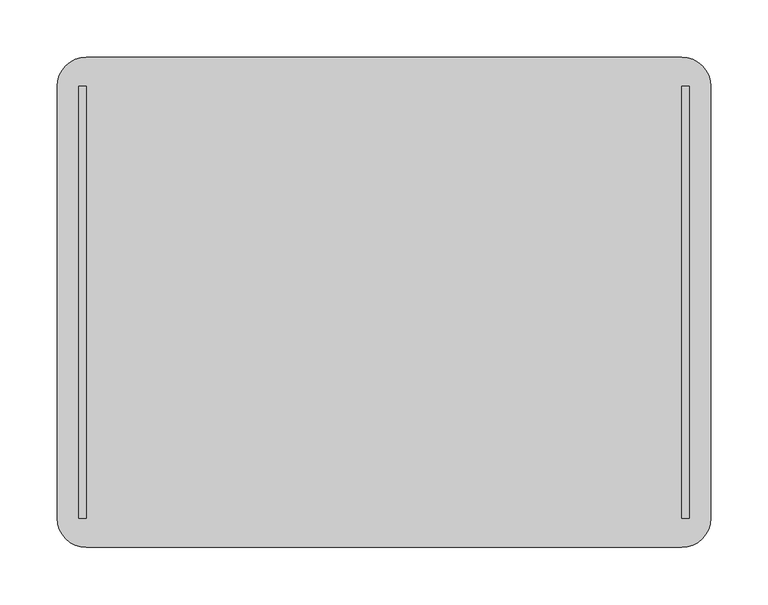
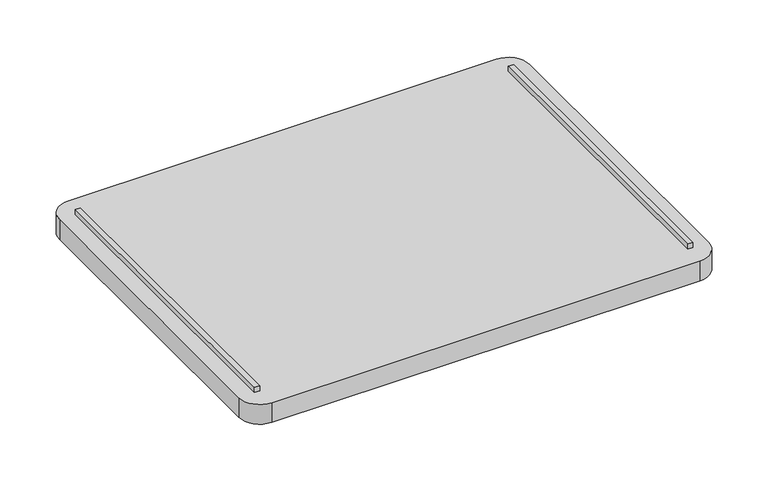
"""IFC4 building model written with IfcOpenShell, lengths in millimetres: furniture geometry."""

import ifcopenshell
import ifcopenshell.guid

model = None  # the IFC model being written
_history = None  # IfcOwnerHistory: only IFC2X3 demands one
_inside = {}  # id of a spatial element -> (the spatial element, [elements in it])
_under = {}  # id of a project, library or spatial element -> (it, [spatial elements below it])
_declared = {}  # id of a project -> (the project, [libraries it declares])
_typed = {}  # id of a type object -> (the type object, [elements of that type])
_made_of = {}  # id of a material, layer set ... -> (it, [elements and type objects made of it])


def new_model(schema):
    """Start an empty IFC model of exactly this schema.

    Asked for "IFC4X3", IfcOpenShell would pick the latest addendum, in which some entities
    have other attributes; the version numbers below select the first issue.
    IFC2X3 requires an IfcOwnerHistory on every rooted entity: one is made here for all.
    """
    global model, _history
    if schema == "IFC4X3":
        model = ifcopenshell.file(schema_version=(4, 3, 0, 0))
    else:
        model = ifcopenshell.file(schema=schema)
    _inside.clear()
    _under.clear()
    _declared.clear()
    _typed.clear()
    _made_of.clear()
    _history = None
    if model.schema == "IFC2X3":
        org = make("IfcOrganization", Name="unknown")
        user = make(
            "IfcPersonAndOrganization",
            ThePerson=make("IfcPerson", FamilyName="unknown"),
            TheOrganization=org,
        )
        app = make(
            "IfcApplication",
            ApplicationDeveloper=org,
            Version="unknown",
            ApplicationFullName="unknown",
            ApplicationIdentifier="unknown",
        )
        _history = make(
            "IfcOwnerHistory",
            OwningUser=user,
            OwningApplication=app,
            ChangeAction="ADDED",
            CreationDate=0,
        )
    return model


def make(cls, **values):
    """One entity of the class cls with the attributes given. An attribute that is None is left unset."""
    return model.create_entity(
        cls, **{name: value for name, value in values.items() if value is not None}
    )


def rooted(cls, **values):
    """An entity with a GlobalId (a new one), such as an element, a storey or a relation."""
    return make(cls, GlobalId=ifcopenshell.guid.new(), OwnerHistory=_history, **values)


def si_unit(unit_type, name, prefix=None):
    """IfcSIUnit, for example si_unit("LENGTHUNIT", "METRE", prefix="MILLI")."""
    return make("IfcSIUnit", UnitType=unit_type, Prefix=prefix, Name=name)


def assignment(units):
    """IfcUnitAssignment: the units of a project."""
    return None if units is None else make("IfcUnitAssignment", Units=units)


def point(xyz):
    """IfcCartesianPoint."""
    return None if xyz is None else make("IfcCartesianPoint", Coordinates=xyz)


def direction(xyz):
    """IfcDirection."""
    return None if xyz is None else make("IfcDirection", DirectionRatios=xyz)


def frame(location, z_axis=None, x_axis=None):
    """IfcAxis2Placement3D, a coordinate frame: its origin and axes. An axis left out is left unset."""
    return make(
        "IfcAxis2Placement3D",
        Location=point(location),
        Axis=direction(z_axis),
        RefDirection=direction(x_axis),
    )


def frame_2d(location, x_axis=None):
    """IfcAxis2Placement2D, a coordinate frame in the plane: its origin and x axis."""
    return make(
        "IfcAxis2Placement2D", Location=point(location), RefDirection=direction(x_axis)
    )


def origin():
    """The frame at (0, 0, 0) with its axes left unset."""
    return frame((0.0, 0.0, 0.0))


def place(relative_to, where):
    """IfcLocalPlacement: puts the frame where relative to a parent placement (None: the world)."""
    return make(
        "IfcLocalPlacement", PlacementRelTo=relative_to, RelativePlacement=where
    )


def context(
    kind, dimensions, precision=None, world=None, true_north=None, identifier=None
):
    """IfcGeometricRepresentationContext, for example the 3D "Model" context."""
    return make(
        "IfcGeometricRepresentationContext",
        ContextIdentifier=identifier,
        ContextType=kind,
        CoordinateSpaceDimension=dimensions,
        Precision=precision,
        WorldCoordinateSystem=world,
        TrueNorth=true_north,
    )


def project(units=None, contexts=None):
    """IfcProject with its units and contexts."""
    return rooted(
        "IfcProject",
        Name="project",
        RepresentationContexts=contexts,
        UnitsInContext=assignment(units),
    )


def spatial(cls, under=None, at=None, **own):
    """A site, building, storey or space (cls), placed at a placement, below another one or the project."""
    s = rooted(cls, ObjectPlacement=at, **own)
    if under is not None:
        _under.setdefault(under.id(), (under, []))[1].append(s)
    return s


def polyline(points):
    """IfcPolyline through the points."""
    return make("IfcPolyline", Points=[point(p) for p in points])


def circle_curve(where, radius):
    """IfcCircle in the frame where."""
    return make("IfcCircle", Position=where, Radius=radius)


def trimmed(basis, trim1, trim2, sense, master):
    """IfcTrimmedCurve: the piece of a basis curve between two trims."""
    return make(
        "IfcTrimmedCurve",
        BasisCurve=basis,
        Trim1=trim1,
        Trim2=trim2,
        SenseAgreement=sense,
        MasterRepresentation=master,
    )


def segment(curve, same_sense, transition):
    """IfcCompositeCurveSegment."""
    return make(
        "IfcCompositeCurveSegment",
        Transition=transition,
        SameSense=same_sense,
        ParentCurve=curve,
    )


def composite_curve(segments, self_intersect=None):
    """IfcCompositeCurve: segments joined end to end."""
    return make("IfcCompositeCurve", Segments=segments, SelfIntersect=self_intersect)


def outline(outer, holes=None, kind="AREA"):
    """IfcArbitraryClosedProfileDef: a profile drawn as a closed curve; with holes, ...WithVoids."""
    if holes is None:
        return make("IfcArbitraryClosedProfileDef", ProfileType=kind, OuterCurve=outer)
    return make(
        "IfcArbitraryProfileDefWithVoids",
        ProfileType=kind,
        OuterCurve=outer,
        InnerCurves=holes,
    )


def extrude(swept, where, along, depth):
    """IfcExtrudedAreaSolid: the profile swept, set in the frame where, extruded along a direction by depth."""
    return make(
        "IfcExtrudedAreaSolid",
        SweptArea=swept,
        Position=where,
        ExtrudedDirection=direction(along),
        Depth=depth,
    )


def shape(context_of_items, identifier, shape_type, items):
    """IfcShapeRepresentation: the items that make up one representation, for example the "Body"."""
    return make(
        "IfcShapeRepresentation",
        ContextOfItems=context_of_items,
        RepresentationIdentifier=identifier,
        RepresentationType=shape_type,
        Items=items,
    )


def source(mapping_origin, context_of_items, identifier, shape_type, items):
    """IfcRepresentationMap: a shape defined once, which mapped items show again and again."""
    return make(
        "IfcRepresentationMap",
        MappingOrigin=mapping_origin,
        MappedRepresentation=shape(context_of_items, identifier, shape_type, items),
    )


def transform(
    local_origin,
    x_axis=None,
    y_axis=None,
    z_axis=None,
    scale=None,
    scale2=None,
    scale3=None,
    uniform=True,
):
    """IfcCartesianTransformationOperator3D, or its non-uniform kind. x_axis, y_axis, z_axis: its Axis1, 2, 3."""
    if uniform:
        return make(
            "IfcCartesianTransformationOperator3D",
            Axis1=direction(x_axis),
            Axis2=direction(y_axis),
            LocalOrigin=point(local_origin),
            Scale=scale,
            Axis3=direction(z_axis),
        )
    return make(
        "IfcCartesianTransformationOperator3DnonUniform",
        Axis1=direction(x_axis),
        Axis2=direction(y_axis),
        LocalOrigin=point(local_origin),
        Scale=scale,
        Axis3=direction(z_axis),
        Scale2=scale2,
        Scale3=scale3,
    )


def mapped(mapping_source, mapping_target):
    """IfcMappedItem: shows the shape of a source again, moved by a transform."""
    return make(
        "IfcMappedItem", MappingSource=mapping_source, MappingTarget=mapping_target
    )


def made_of(thing, what):
    """Note that an element or type object is made of a material, layer set ...; save() writes the relation."""
    if what is not None:
        _made_of.setdefault(what.id(), (what, []))[1].append(thing)
    return thing


def element(
    cls,
    number,
    at=None,
    inside=None,
    cuts=None,
    type_object=None,
    material=None,
    context=None,
    identifier="Body",
    shape_type=None,
    held_by="IfcProductDefinitionShape",
    body=None,
    shapes=None,
    **own,
):
    """One element of the class cls, such as IfcWall. Its Tag is "e" and its number.

    at: its placement. inside: the storey or other place that contains it. cuts: it is an
    opening in that element (IfcRelVoidsElement). A single representation is given by context,
    identifier, shape_type and body (its items); several are given by shapes. held_by: the class
    of the entity that holds the representations. save() writes the other relations.
    """
    e = rooted(cls, Tag="e%d" % number, ObjectPlacement=at, **own)
    if body is not None:
        shapes = [shape(context, identifier, shape_type, body)]
    if shapes is not None:
        e.Representation = make(held_by, Representations=shapes)
    if inside is not None:
        _inside.setdefault(inside.id(), (inside, []))[1].append(e)
    if cuts is not None:
        rooted(
            "IfcRelVoidsElement", RelatingBuildingElement=cuts, RelatedOpeningElement=e
        )
    if type_object is not None:
        _typed.setdefault(type_object.id(), (type_object, []))[1].append(e)
    return made_of(e, material)


def aggregate(whole, parts):
    """IfcRelAggregates: a whole, such as a stair, and the parts it consists of."""
    return rooted("IfcRelAggregates", RelatingObject=whole, RelatedObjects=parts)


def save(model, path):
    """Write the relations noted so far, then the file.

    IfcRelAggregates (storeys below a building ...), IfcRelContainedInSpatialStructure (elements
    in a storey), IfcRelDefinesByType, IfcRelAssociatesMaterial and IfcRelDeclares: one each for
    every whole, place, type object, material and project.
    """
    for whole, parts in _under.values():
        aggregate(whole, parts)
    for where, things in _inside.values():
        rooted(
            "IfcRelContainedInSpatialStructure",
            RelatedElements=things,
            RelatingStructure=where,
        )
    for kind, things in _typed.values():
        rooted("IfcRelDefinesByType", RelatedObjects=things, RelatingType=kind)
    for what, things in _made_of.values():
        rooted("IfcRelAssociatesMaterial", RelatedObjects=things, RelatingMaterial=what)
    for by, libraries in _declared.values():
        rooted("IfcRelDeclares", RelatingContext=by, RelatedDefinitions=libraries)
    model.write(path)


def furniture_3e18d0d8(model_context):
    return source(origin(), model_context, "Body", "SweptSolid", [
        extrude(outline(polyline([(-260.35, -188.9125), (-266.7, -188.9125), (-266.7, 188.9125), (-260.35, 188.9125), (-260.35, -188.9125)])), frame((0.0, 0.0, 920.75), z_axis=(0.0, 0.0, 1.0), x_axis=(1.0, 0.0, 0.0)), (0.0, 0.0, 1.0), 6.35),
        extrude(outline(polyline([(266.7, -188.9125), (260.35, -188.9125), (260.35, 188.9125), (266.7, 188.9125), (266.7, -188.9125)])), frame((0.0, 0.0, 920.75), z_axis=(0.0, 0.0, 1.0), x_axis=(1.0, 0.0, 0.0)), (0.0, 0.0, 1.0), 6.35),
        extrude(outline(composite_curve([segment(trimmed(circle_curve(frame_2d((260.35, 188.9125)), 25.4), [point((260.35, 214.3125))], [point((285.75, 188.9125))], False, "CARTESIAN"), True, "CONTINUOUS"), segment(polyline([(285.75, 188.9125), (285.75, -188.9125)]), True, "CONTINUOUS"), segment(trimmed(circle_curve(frame_2d((260.35, -188.9125)), 25.4), [point((285.75, -188.9125))], [point((260.35, -214.3125))], False, "CARTESIAN"), True, "CONTINUOUS"), segment(polyline([(260.35, -214.3125), (-260.35, -214.3125)]), True, "CONTINUOUS"), segment(trimmed(circle_curve(frame_2d((-260.35, -188.9125)), 25.4), [point((-260.35, -214.3125))], [point((-285.75, -188.9125))], False, "CARTESIAN"), True, "CONTINUOUS"), segment(polyline([(-285.75, -188.9125), (-285.75, 188.9125)]), True, "CONTINUOUS"), segment(trimmed(circle_curve(frame_2d((-260.35, 188.9125)), 25.4), [point((-285.75, 188.9125))], [point((-260.35, 214.3125))], False, "CARTESIAN"), True, "CONTINUOUS"), segment(polyline([(-260.35, 214.3125), (260.35, 214.3125)]), True, "CONTINUOUS")], self_intersect=False)), frame((0.0, 0.0, 895.35), z_axis=(0.0, 0.0, 1.0), x_axis=(1.0, 0.0, 0.0)), (0.0, 0.0, 1.0), 25.4),
    ])


if __name__ == "__main__":
    model = new_model("IFC4")
    model_context = context("Model", 3, world=origin())
    ifc_project = project(units=[si_unit("LENGTHUNIT", "METRE", prefix="MILLI")], contexts=[model_context])
    site = spatial("IfcSite", under=ifc_project)
    building = spatial("IfcBuilding", under=site)
    placement = place(None, origin())
    furniture_shape = furniture_3e18d0d8(model_context)
    element("IfcFurniture", 1, at=placement, inside=building, context=model_context, shape_type="MappedRepresentation", body=[
        mapped(furniture_shape, transform((0.0, 0.0, 0.0), x_axis=(1.0, 0.0, 0.0), y_axis=(0.0, 1.0, 0.0), z_axis=(0.0, 0.0, 1.0))),
    ])
    save(model, "model.ifc")
